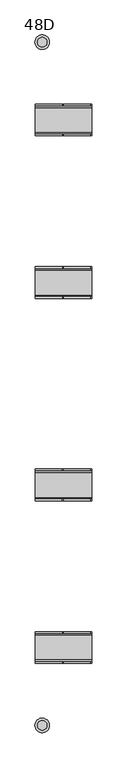
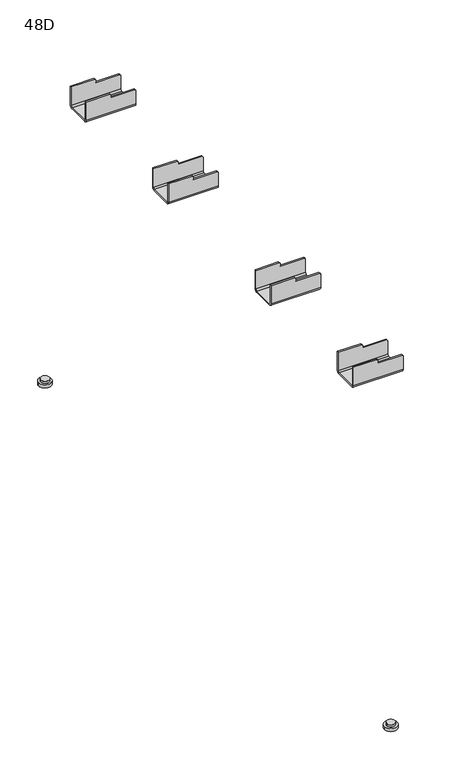
"""IFC4 building model written with IfcOpenShell, lengths in millimetres: furniture geometry, 48D."""

from ifc_helpers import new_model, si_unit, point, frame, frame_2d, origin, origin_with_axes, place, context, project, spatial, polyline, circle_curve, trimmed, segment, composite_curve, outline, extrude, source, transform, mapped, element, save
from ifc_brep_helpers import plane_surface, cylinder_surface, revolved_surface, advanced_brep


def furniture_48d_eb35c15c(model_context):
    return source(origin(), model_context, "Body", "SolidModel", [
        advanced_brep(
        [(76.0, -431.9918, 652.15), (76.0, -434.9918, 649.15), (76.0, -477.9918, 649.15), (76.0, -480.9918, 652.15), (76.0, -480.9918, 680.3118807), (76.0, -483.9918, 680.3118807), (76.0, -483.9918, 652.15), (76.0, -477.9918, 646.15), (76.0, -434.9918, 646.15), (76.0, -428.9918, 652.15), (76.0, -428.9918, 680.3118807), (76.0, -431.9918, 680.3118807), (-21.8908117, -431.9918, 690.15), (-21.8908117, -428.9918, 690.15), (-21.8908117, -428.9918, 652.15), (-21.8908117, -434.9918, 646.15), (-21.8908117, -477.9918, 646.15), (-21.8908117, -483.9918, 652.15), (-21.8908117, -483.9918, 690.15), (-21.8908117, -480.9918, 690.15), (-21.8908117, -480.9918, 652.15), (-21.8908117, -477.9918, 649.15), (-21.8908117, -434.9918, 649.15), (-21.8908117, -431.9918, 652.15), (24.4118807, -431.9918, 690.15), (24.4118807, -428.9918, 690.15), (26.5, -428.9918, 688.0618807), (26.5, -428.9918, 682.3118807), (74.0, -428.9918, 682.3118807), (74.0, -483.9918, 682.3118807), (26.5, -483.9918, 682.3118807), (26.5, -483.9918, 688.0618807), (24.4118807, -483.9918, 690.15), (24.4118807, -480.9918, 690.15), (26.5, -480.9918, 688.0618807), (26.5, -480.9918, 682.3118807), (74.0, -480.9918, 682.3118807), (74.0, -431.9918, 682.3118807), (26.5, -431.9918, 682.3118807), (26.5, -431.9918, 688.0618807)],
        [
            (0, 1, circle_curve(frame((76.0, -434.9918, 652.15), z_axis=(-1.0, 0.0, 0.0), x_axis=(0.0, -1.0, 0.0)), 3.0)),
            (1, 2),
            (2, 3, circle_curve(frame((76.0, -477.9918, 652.15), z_axis=(-1.0, 0.0, 0.0), x_axis=(0.0, -1.0, 0.0)), 3.0)),
            (3, 4),
            (4, 5),
            (5, 6),
            (6, 7, circle_curve(frame((76.0, -477.9918, 652.15), z_axis=(1.0, 0.0, 0.0), x_axis=(0.0, -1.0, 0.0)), 6.0)),
            (7, 8),
            (8, 9, circle_curve(frame((76.0, -434.9918, 652.15), z_axis=(1.0, 0.0, 0.0), x_axis=(0.0, -1.0, 0.0)), 6.0)),
            (9, 10),
            (10, 11),
            (11, 0),
            (12, 13),
            (13, 14),
            (14, 15, circle_curve(frame((-21.8908117, -434.9918, 652.15), z_axis=(-1.0, 0.0, 0.0), x_axis=(0.0, -1.0, 0.0)), 6.0)),
            (15, 16),
            (16, 17, circle_curve(frame((-21.8908117, -477.9918, 652.15), z_axis=(-1.0, 0.0, 0.0), x_axis=(0.0, -1.0, 0.0)), 6.0)),
            (17, 18),
            (18, 19),
            (19, 20),
            (20, 21, circle_curve(frame((-21.8908117, -477.9918, 652.15), z_axis=(1.0, 0.0, 0.0), x_axis=(0.0, -1.0, 0.0)), 3.0)),
            (21, 22),
            (22, 23, circle_curve(frame((-21.8908117, -434.9918, 652.15), z_axis=(1.0, 0.0, 0.0), x_axis=(0.0, -1.0, 0.0)), 3.0)),
            (23, 12),
            (12, 24),
            (24, 25),
            (25, 13),
            (25, 26),
            (26, 27),
            (27, 28),
            (28, 10),
            (9, 14),
            (8, 15),
            (7, 16),
            (6, 17),
            (5, 29),
            (29, 30),
            (30, 31),
            (31, 32),
            (32, 18),
            (32, 33),
            (33, 19),
            (33, 34),
            (34, 35),
            (35, 36),
            (36, 4),
            (3, 20),
            (2, 21),
            (1, 22),
            (0, 23),
            (11, 37),
            (37, 38),
            (38, 39),
            (39, 24),
            (36, 29),
            (28, 37),
            (31, 34),
            (39, 26),
            (30, 35),
            (38, 27),
        ],
        [
            plane_surface(frame((76.0, -431.9918, 690.15), z_axis=(1.0, 0.0, 0.0), x_axis=(0.0, 0.0, -1.0))),
            plane_surface(frame((-21.8908117, -431.9918, 690.15), z_axis=(-1.0, 0.0, 0.0), x_axis=(0.0, 0.0, 1.0))),
            plane_surface(frame((76.0, -428.9918, 690.15), z_axis=(0.0, 0.0, 1.0), x_axis=(-1.0, 0.0, 0.0))),
            plane_surface(frame((76.0, -428.9918, 652.15), z_axis=(0.0, 1.0, 0.0), x_axis=(-1.0, 0.0, 0.0))),
            cylinder_surface(frame((-21.8908117, -434.9918, 652.15), z_axis=(1.0, 0.0, 0.0), x_axis=(0.0, -1.0, 0.0)), 6.0),
            plane_surface(frame((76.0, -477.9918, 646.15), z_axis=(0.0, 0.0, -1.0), x_axis=(-1.0, 0.0, 0.0))),
            cylinder_surface(frame((-21.8908117, -477.9918, 652.15), z_axis=(1.0, 0.0, 0.0), x_axis=(0.0, -1.0, 0.0)), 6.0),
            plane_surface(frame((76.0, -483.9918, 690.15), z_axis=(0.0, -1.0, 0.0), x_axis=(-1.0, 0.0, 0.0))),
            plane_surface(frame((76.0, -480.9918, 690.15), z_axis=(0.0, 0.0, 1.0), x_axis=(-1.0, 0.0, 0.0))),
            plane_surface(frame((76.0, -480.9918, 652.15), z_axis=(0.0, 1.0, 0.0), x_axis=(-1.0, 0.0, 0.0))),
            revolved_surface(polyline([(-21.8908117, -480.9918, 652.15), (76.0, -480.9918, 652.15)]), (-21.8908117, -477.9918, 652.15), (-1.0, 0.0, 0.0)),
            plane_surface(frame((76.0, -434.9918, 649.15), z_axis=(0.0, 0.0, 1.0), x_axis=(-1.0, 0.0, 0.0))),
            revolved_surface(polyline([(-21.8908117, -437.9918, 652.15), (76.0, -437.9918, 652.15)]), (-21.8908117, -434.9918, 652.15), (-1.0, 0.0, 0.0)),
            plane_surface(frame((76.0, -431.9918, 690.15), z_axis=(0.0, -1.0, 0.0), x_axis=(-1.0, 0.0, 0.0))),
            plane_surface(frame((76.0, 484.2418, 680.3118807), z_axis=(0.7071067811865596, 0.0, 0.7071067811865356), x_axis=(0.0, -1.0, 0.0))),
            plane_surface(frame((26.5, 484.2418, 688.0618807), z_axis=(0.7071067811865476, 0.0, 0.7071067811865476), x_axis=(0.0, -1.0, 0.0))),
            plane_surface(frame((26.5, 484.2418, 682.3118807), z_axis=(1.0, 0.0, 0.0), x_axis=(0.0, -1.0, 0.0))),
            plane_surface(frame((74.0, 484.2418, 682.3118807), z_axis=(0.0, 0.0, 1.0), x_axis=(0.0, -1.0, 0.0))),
        ],
        [
            (0, [[1, 2, 3, 4, 5, 6, 7, 8, 9, 10, 11, 12]]),
            (1, [[13, 14, 15, 16, 17, 18, 19, 20, 21, 22, 23, 24]]),
            (2, [[-13, 25, 26, 27]]),
            (3, [[-14, -27, 28, 29, 30, 31, -10, 32]]),
            (4, [[-9, 33, -15, -32]]),
            (5, [[-8, 34, -16, -33]]),
            (6, [[-7, 35, -17, -34]]),
            (7, [[-18, -35, -6, 36, 37, 38, 39, 40]]),
            (8, [[-19, -40, 41, 42]]),
            (9, [[-20, -42, 43, 44, 45, 46, -4, 47]]),
            (10, [[-3, 48, -21, -47]]),
            (11, [[-2, 49, -22, -48]]),
            (12, [[-1, 50, -23, -49]]),
            (13, [[-24, -50, -12, 51, 52, 53, 54, -25]]),
            (14, [[55, -36, -5, -46]]),
            (14, [[56, -51, -11, -31]]),
            (15, [[57, -43, -41, -39]]),
            (15, [[58, -28, -26, -54]]),
            (16, [[-57, -38, 59, -44]]),
            (16, [[-58, -53, 60, -29]]),
            (17, [[-59, -37, -55, -45]]),
            (17, [[-60, -52, -56, -30]]),
        ],
    ),
        advanced_brep(
        [(74.0, -147.5, 682.3118807), (74.0, -150.5, 682.3118807), (76.0, -150.5, 680.3118807), (76.0, -147.5, 680.3118807), (74.0, -199.5, 682.3118807), (74.0, -202.5, 682.3118807), (76.0, -202.5, 680.3118807), (76.0, -199.5, 680.3118807), (26.5, -150.5, 688.0618807), (26.5, -147.5, 688.0618807), (24.4118807, -147.5, 690.15), (24.4118807, -150.5, 690.15), (26.5, -202.5, 688.0618807), (26.5, -199.5, 688.0618807), (24.4118807, -199.5, 690.15), (24.4118807, -202.5, 690.15), (26.5, -150.5, 682.3118807), (26.5, -147.5, 682.3118807), (26.5, -202.5, 682.3118807), (26.5, -199.5, 682.3118807), (76.0, -202.5, 652.15), (76.0, -196.5, 646.15), (76.0, -153.5, 646.15), (76.0, -147.5, 652.15), (76.0, -150.5, 652.15), (76.0, -153.5, 649.15), (76.0, -196.5, 649.15), (76.0, -199.5, 652.15), (-21.8908117, -199.5, 690.15), (-21.8908117, -199.5, 652.15), (-21.8908117, -196.5, 649.15), (-21.8908117, -153.5, 649.15), (-21.8908117, -150.5, 652.15), (-21.8908117, -150.5, 690.15), (-21.8908117, -147.5, 690.15), (-21.8908117, -147.5, 652.15), (-21.8908117, -153.5, 646.15), (-21.8908117, -196.5, 646.15), (-21.8908117, -202.5, 652.15), (-21.8908117, -202.5, 690.15)],
        [
            (0, 1),
            (1, 2),
            (2, 3),
            (3, 0),
            (4, 5),
            (5, 6),
            (6, 7),
            (7, 4),
            (8, 9),
            (9, 10),
            (10, 11),
            (11, 8),
            (12, 13),
            (13, 14),
            (14, 15),
            (15, 12),
            (8, 16),
            (16, 17),
            (17, 9),
            (12, 18),
            (18, 19),
            (19, 13),
            (16, 1),
            (0, 17),
            (18, 5),
            (4, 19),
            (20, 21, circle_curve(frame((76.0, -196.5, 652.15), z_axis=(1.0, 0.0, 0.0), x_axis=(0.0, 1.0, 0.0)), 6.0)),
            (21, 22),
            (22, 23, circle_curve(frame((76.0, -153.5, 652.15), z_axis=(1.0, 0.0, 0.0), x_axis=(0.0, 1.0, 0.0)), 6.0)),
            (23, 3),
            (2, 24),
            (24, 25, circle_curve(frame((76.0, -153.5, 652.15), z_axis=(-1.0, 0.0, 0.0), x_axis=(0.0, 1.0, 0.0)), 3.0)),
            (25, 26),
            (26, 27, circle_curve(frame((76.0, -196.5, 652.15), z_axis=(-1.0, 0.0, 0.0), x_axis=(0.0, 1.0, 0.0)), 3.0)),
            (27, 7),
            (6, 20),
            (28, 29),
            (29, 30, circle_curve(frame((-21.8908117, -196.5, 652.15), z_axis=(1.0, 0.0, 0.0), x_axis=(0.0, 1.0, 0.0)), 3.0)),
            (30, 31),
            (31, 32, circle_curve(frame((-21.8908117, -153.5, 652.15), z_axis=(1.0, 0.0, 0.0), x_axis=(0.0, 1.0, 0.0)), 3.0)),
            (32, 33),
            (33, 34),
            (34, 35),
            (35, 36, circle_curve(frame((-21.8908117, -153.5, 652.15), z_axis=(-1.0, 0.0, 0.0), x_axis=(0.0, 1.0, 0.0)), 6.0)),
            (36, 37),
            (37, 38, circle_curve(frame((-21.8908117, -196.5, 652.15), z_axis=(-1.0, 0.0, 0.0), x_axis=(0.0, 1.0, 0.0)), 6.0)),
            (38, 39),
            (39, 28),
            (39, 15),
            (14, 28),
            (38, 20),
            (37, 21),
            (36, 22),
            (35, 23),
            (34, 10),
            (33, 11),
            (32, 24),
            (31, 25),
            (30, 26),
            (29, 27),
        ],
        [
            plane_surface(frame((76.0, 484.2418, 680.3118807), z_axis=(0.7071067811865596, 0.0, 0.7071067811865356), x_axis=(0.0, -1.0, 0.0))),
            plane_surface(frame((26.5, 484.2418, 688.0618807), z_axis=(0.7071067811865476, 0.0, 0.7071067811865476), x_axis=(0.0, -1.0, 0.0))),
            plane_surface(frame((26.5, 484.2418, 682.3118807), z_axis=(1.0, 0.0, 0.0), x_axis=(0.0, -1.0, 0.0))),
            plane_surface(frame((74.0, 484.2418, 682.3118807), z_axis=(0.0, 0.0, 1.0), x_axis=(0.0, -1.0, 0.0))),
            plane_surface(frame((76.0, -202.5, 690.15), z_axis=(1.0, 0.0, 0.0), x_axis=(0.0, -1.0, 0.0))),
            plane_surface(frame((-21.8908117, -202.5, 690.15), z_axis=(-1.0, 0.0, 0.0), x_axis=(0.0, 1.0, 0.0))),
            plane_surface(frame((76.0, -199.5, 690.15), z_axis=(0.0, 0.0, 1.0), x_axis=(-1.0, 0.0, 0.0))),
            plane_surface(frame((76.0, -202.5, 690.15), z_axis=(0.0, -1.0, 0.0), x_axis=(-1.0, 0.0, 0.0))),
            cylinder_surface(frame((-21.8908117, -196.5, 652.15), z_axis=(1.0, 0.0, 0.0), x_axis=(0.0, 1.0, 0.0)), 6.0),
            plane_surface(frame((76.0, -196.5, 646.15), z_axis=(0.0, 0.0, -1.0), x_axis=(-1.0, 0.0, 0.0))),
            cylinder_surface(frame((-21.8908117, -153.5, 652.15), z_axis=(1.0, 0.0, 0.0), x_axis=(0.0, 1.0, 0.0)), 6.0),
            plane_surface(frame((76.0, -147.5, 652.15), z_axis=(0.0, 1.0, 0.0), x_axis=(-1.0, 0.0, 0.0))),
            plane_surface(frame((76.0, -147.5, 690.15), z_axis=(0.0, 0.0, 1.0), x_axis=(-1.0, 0.0, 0.0))),
            plane_surface(frame((76.0, -150.5, 690.15), z_axis=(0.0, -1.0, 0.0), x_axis=(-1.0, 0.0, 0.0))),
            revolved_surface(polyline([(-21.8908117, -150.5, 652.15), (76.0, -150.5, 652.15)]), (-21.8908117, -153.5, 652.15), (-1.0, 0.0, 0.0)),
            plane_surface(frame((76.0, -153.5, 649.15), z_axis=(0.0, 0.0, 1.0), x_axis=(-1.0, 0.0, 0.0))),
            revolved_surface(polyline([(-21.8908117, -193.5, 652.15), (76.0, -193.5, 652.15)]), (-21.8908117, -196.5, 652.15), (-1.0, 0.0, 0.0)),
            plane_surface(frame((76.0, -199.5, 652.15), z_axis=(0.0, 1.0, 0.0), x_axis=(-1.0, 0.0, 0.0))),
        ],
        [
            (0, [[1, 2, 3, 4]]),
            (0, [[5, 6, 7, 8]]),
            (1, [[9, 10, 11, 12]]),
            (1, [[13, 14, 15, 16]]),
            (2, [[-9, 17, 18, 19]]),
            (2, [[-13, 20, 21, 22]]),
            (3, [[-18, 23, -1, 24]]),
            (3, [[-21, 25, -5, 26]]),
            (4, [[27, 28, 29, 30, -3, 31, 32, 33, 34, 35, -7, 36]]),
            (5, [[37, 38, 39, 40, 41, 42, 43, 44, 45, 46, 47, 48]]),
            (6, [[-48, 49, -15, 50]]),
            (7, [[-47, 51, -36, -6, -25, -20, -16, -49]]),
            (8, [[-27, -51, -46, 52]]),
            (9, [[-28, -52, -45, 53]]),
            (10, [[-29, -53, -44, 54]]),
            (11, [[-43, 55, -10, -19, -24, -4, -30, -54]]),
            (12, [[-42, 56, -11, -55]]),
            (13, [[-41, 57, -31, -2, -23, -17, -12, -56]]),
            (14, [[-32, -57, -40, 58]]),
            (15, [[-33, -58, -39, 59]]),
            (16, [[-34, -59, -38, 60]]),
            (17, [[-37, -50, -14, -22, -26, -8, -35, -60]]),
        ],
    ),
        advanced_brep(
        [(76.0, 147.5, 652.0618807), (76.0, 153.5, 646.0618807), (76.0, 196.5, 646.0618807), (76.0, 202.5, 652.0618807), (76.0, 202.5, 680.3118807), (76.0, 199.5, 680.3118807), (76.0, 199.5, 652.0618807), (76.0, 196.5, 649.0618807), (76.0, 153.5, 649.0618807), (76.0, 150.5, 652.0618807), (76.0, 150.5, 680.3118807), (76.0, 147.5, 680.3118807), (-21.8908117, 150.5, 690.0618807), (-21.8908117, 150.5, 652.0618807), (-21.8908117, 153.5, 649.0618807), (-21.8908117, 196.5, 649.0618807), (-21.8908117, 199.5, 652.0618807), (-21.8908117, 199.5, 690.0618807), (-21.8908117, 202.5, 690.0618807), (-21.8908117, 202.5, 652.0618807), (-21.8908117, 196.5, 646.0618807), (-21.8908117, 153.5, 646.0618807), (-21.8908117, 147.5, 652.0618807), (-21.8908117, 147.5, 690.0618807), (24.5, 147.5, 690.0618807), (24.5, 150.5, 690.0618807), (74.0, 147.5, 682.3118807), (26.5, 147.5, 682.3118807), (26.5, 147.5, 688.0618807), (24.5, 202.5, 690.0618807), (26.5, 202.5, 688.0618807), (26.5, 202.5, 682.3118807), (74.0, 202.5, 682.3118807), (24.5, 199.5, 690.0618807), (74.0, 199.5, 682.3118807), (26.5, 199.5, 682.3118807), (26.5, 199.5, 688.0618807), (26.5, 150.5, 688.0618807), (26.5, 150.5, 682.3118807), (74.0, 150.5, 682.3118807)],
        [
            (0, 1, circle_curve(frame((76.0, 153.5, 652.0618807), z_axis=(1.0, 0.0, 0.0), x_axis=(0.0, 1.0, 0.0)), 6.0)),
            (1, 2),
            (2, 3, circle_curve(frame((76.0, 196.5, 652.0618807), z_axis=(1.0, 0.0, 0.0), x_axis=(0.0, 1.0, 0.0)), 6.0)),
            (3, 4),
            (4, 5),
            (5, 6),
            (6, 7, circle_curve(frame((76.0, 196.5, 652.0618807), z_axis=(-1.0, 0.0, 0.0), x_axis=(0.0, 1.0, 0.0)), 3.0)),
            (7, 8),
            (8, 9, circle_curve(frame((76.0, 153.5, 652.0618807), z_axis=(-1.0, 0.0, 0.0), x_axis=(0.0, 1.0, 0.0)), 3.0)),
            (9, 10),
            (10, 11),
            (11, 0),
            (12, 13),
            (13, 14, circle_curve(frame((-21.8908117, 153.5, 652.0618807), z_axis=(1.0, 0.0, 0.0), x_axis=(0.0, 1.0, 0.0)), 3.0)),
            (14, 15),
            (15, 16, circle_curve(frame((-21.8908117, 196.5, 652.0618807), z_axis=(1.0, 0.0, 0.0), x_axis=(0.0, 1.0, 0.0)), 3.0)),
            (16, 17),
            (17, 18),
            (18, 19),
            (19, 20, circle_curve(frame((-21.8908117, 196.5, 652.0618807), z_axis=(-1.0, 0.0, 0.0), x_axis=(0.0, 1.0, 0.0)), 6.0)),
            (20, 21),
            (21, 22, circle_curve(frame((-21.8908117, 153.5, 652.0618807), z_axis=(-1.0, 0.0, 0.0), x_axis=(0.0, 1.0, 0.0)), 6.0)),
            (22, 23),
            (23, 12),
            (23, 24),
            (24, 25),
            (25, 12),
            (22, 0),
            (11, 26),
            (26, 27),
            (27, 28),
            (28, 24),
            (21, 1),
            (20, 2),
            (19, 3),
            (18, 29),
            (29, 30),
            (30, 31),
            (31, 32),
            (32, 4),
            (17, 33),
            (33, 29),
            (16, 6),
            (5, 34),
            (34, 35),
            (35, 36),
            (36, 33),
            (15, 7),
            (14, 8),
            (13, 9),
            (25, 37),
            (37, 38),
            (38, 39),
            (39, 10),
            (32, 34),
            (39, 26),
            (36, 30),
            (28, 37),
            (35, 31),
            (27, 38),
        ],
        [
            plane_surface(frame((76.0, 147.5, 690.0618807), z_axis=(1.0, 0.0, 0.0), x_axis=(0.0, -1.0, 0.0))),
            plane_surface(frame((-21.8908117, 147.5, 690.0618807), z_axis=(-1.0, 0.0, 0.0), x_axis=(0.0, 1.0, 0.0))),
            plane_surface(frame((76.0, 150.5, 690.0618807), z_axis=(0.0, 0.0, 1.0), x_axis=(-1.0, 0.0, 0.0))),
            plane_surface(frame((76.0, 147.5, 690.0618807), z_axis=(0.0, -1.0, 0.0), x_axis=(-1.0, 0.0, 0.0))),
            cylinder_surface(frame((-21.8908117, 153.5, 652.0618807), z_axis=(1.0, 0.0, 0.0), x_axis=(0.0, 1.0, 0.0)), 6.0),
            plane_surface(frame((76.0, 153.5, 646.0618807), z_axis=(0.0, 0.0, -1.0), x_axis=(-1.0, 0.0, 0.0))),
            cylinder_surface(frame((-21.8908117, 196.5, 652.0618807), z_axis=(1.0, 0.0, 0.0), x_axis=(0.0, 1.0, 0.0)), 6.0),
            plane_surface(frame((76.0, 202.5, 652.0618807), z_axis=(0.0, 1.0, 0.0), x_axis=(-1.0, 0.0, 0.0))),
            plane_surface(frame((76.0, 202.5, 690.0618807), z_axis=(0.0, 0.0, 1.0), x_axis=(-1.0, 0.0, 0.0))),
            plane_surface(frame((76.0, 199.5, 690.0618807), z_axis=(0.0, -1.0, 0.0), x_axis=(-1.0, 0.0, 0.0))),
            revolved_surface(polyline([(-21.8908117, 199.5, 652.0618807), (76.0, 199.5, 652.0618807)]), (-21.8908117, 196.5, 652.0618807), (-1.0, 0.0, 0.0)),
            plane_surface(frame((76.0, 196.5, 649.0618807), z_axis=(0.0, 0.0, 1.0), x_axis=(-1.0, 0.0, 0.0))),
            revolved_surface(polyline([(-21.8908117, 156.5, 652.0618807), (76.0, 156.5, 652.0618807)]), (-21.8908117, 153.5, 652.0618807), (-1.0, 0.0, 0.0)),
            plane_surface(frame((76.0, 150.5, 652.0618807), z_axis=(0.0, 1.0, 0.0), x_axis=(-1.0, 0.0, 0.0))),
            plane_surface(frame((76.0, 484.2418, 680.3118807), z_axis=(0.7071067811865596, 0.0, 0.7071067811865356), x_axis=(0.0, -1.0, 0.0))),
            plane_surface(frame((26.5, 484.2418, 688.0618807), z_axis=(0.7071067811865476, 0.0, 0.7071067811865476), x_axis=(0.0, -1.0, 0.0))),
            plane_surface(frame((26.5, 484.2418, 682.3118807), z_axis=(1.0, 0.0, 0.0), x_axis=(0.0, -1.0, 0.0))),
            plane_surface(frame((74.0, 484.2418, 682.3118807), z_axis=(0.0, 0.0, 1.0), x_axis=(0.0, -1.0, 0.0))),
        ],
        [
            (0, [[1, 2, 3, 4, 5, 6, 7, 8, 9, 10, 11, 12]]),
            (1, [[13, 14, 15, 16, 17, 18, 19, 20, 21, 22, 23, 24]]),
            (2, [[-24, 25, 26, 27]]),
            (3, [[-23, 28, -12, 29, 30, 31, 32, -25]]),
            (4, [[-1, -28, -22, 33]]),
            (5, [[-2, -33, -21, 34]]),
            (6, [[-3, -34, -20, 35]]),
            (7, [[-19, 36, 37, 38, 39, 40, -4, -35]]),
            (8, [[-18, 41, 42, -36]]),
            (9, [[-17, 43, -6, 44, 45, 46, 47, -41]]),
            (10, [[-7, -43, -16, 48]]),
            (11, [[-8, -48, -15, 49]]),
            (12, [[-9, -49, -14, 50]]),
            (13, [[-13, -27, 51, 52, 53, 54, -10, -50]]),
            (14, [[55, -44, -5, -40]]),
            (14, [[56, -29, -11, -54]]),
            (15, [[57, -37, -42, -47]]),
            (15, [[58, -51, -26, -32]]),
            (16, [[-57, -46, 59, -38]]),
            (16, [[-58, -31, 60, -52]]),
            (17, [[-59, -45, -55, -39]]),
            (17, [[-60, -30, -56, -53]]),
        ],
    ),
        extrude(outline(composite_curve([segment(trimmed(circle_curve(frame_2d((-10.0134902, -591.1227961)), 8.2529367), [point((-18.2664269, -591.1227961))], [point((-1.7605535, -591.1227961))], False, "CARTESIAN"), True, "CONTINUOUS"), segment(trimmed(circle_curve(frame_2d((-10.0134902, -591.1227961)), 8.2529367), [point((-1.7605535, -591.1227961))], [point((-18.2664269, -591.1227961))], False, "CARTESIAN"), True, "CONTINUOUS")], self_intersect=False)), frame((0.0, 0.0, 6.5), z_axis=(0.0, 0.0, 1.0), x_axis=(1.0, 0.0, 0.0)), (0.0, 0.0, 1.0), 4.5),
        extrude(outline(composite_curve([segment(trimmed(circle_curve(frame_2d((-10.0157414, -591.1227961)), 12.5869389), [point((-22.6026802, -591.1227961))], [point((2.5711975, -591.1227961))], False, "CARTESIAN"), True, "CONTINUOUS"), segment(trimmed(circle_curve(frame_2d((-10.0157414, -591.1227961)), 12.5869389), [point((2.5711975, -591.1227961))], [point((-22.6026802, -591.1227961))], False, "CARTESIAN"), True, "CONTINUOUS")], self_intersect=False)), origin_with_axes(), (0.0, 0.0, 1.0), 6.5),
        extrude(outline(composite_curve([segment(trimmed(circle_curve(frame_2d((-10.0134902, 591.1227961)), 8.2529367), [point((-18.2664269, 591.1227961))], [point((-1.7605535, 591.1227961))], False, "CARTESIAN"), True, "CONTINUOUS"), segment(trimmed(circle_curve(frame_2d((-10.0134902, 591.1227961)), 8.2529367), [point((-1.7605535, 591.1227961))], [point((-18.2664269, 591.1227961))], False, "CARTESIAN"), True, "CONTINUOUS")], self_intersect=False)), frame((0.0, 0.0, 6.5), z_axis=(0.0, 0.0, 1.0), x_axis=(1.0, 0.0, 0.0)), (0.0, 0.0, 1.0), 4.5),
        extrude(outline(composite_curve([segment(trimmed(circle_curve(frame_2d((-10.0157414, 591.1227961)), 12.5869389), [point((-22.6026802, 591.1227961))], [point((2.5711975, 591.1227961))], False, "CARTESIAN"), True, "CONTINUOUS"), segment(trimmed(circle_curve(frame_2d((-10.0157414, 591.1227961)), 12.5869389), [point((2.5711975, 591.1227961))], [point((-22.6026802, 591.1227961))], False, "CARTESIAN"), True, "CONTINUOUS")], self_intersect=False)), origin_with_axes(), (0.0, 0.0, 1.0), 6.5),
        advanced_brep(
        [(76.0, 428.9918, 652.15), (76.0, 434.9918, 646.15), (76.0, 477.9918, 646.15), (76.0, 483.9918, 652.15), (76.0, 483.9918, 680.3118807), (76.0, 480.9918, 680.3118807), (76.0, 480.9918, 652.15), (76.0, 477.9918, 649.15), (76.0, 434.9918, 649.15), (76.0, 431.9918, 652.15), (76.0, 431.9918, 680.3118807), (76.0, 428.9918, 680.3118807), (-21.8908117, 431.9918, 690.15), (-21.8908117, 431.9918, 652.15), (-21.8908117, 434.9918, 649.15), (-21.8908117, 477.9918, 649.15), (-21.8908117, 480.9918, 652.15), (-21.8908117, 480.9918, 690.15), (-21.8908117, 483.9918, 690.15), (-21.8908117, 483.9918, 652.15), (-21.8908117, 477.9918, 646.15), (-21.8908117, 434.9918, 646.15), (-21.8908117, 428.9918, 652.15), (-21.8908117, 428.9918, 690.15), (24.4118807, 428.9918, 690.15), (24.4118807, 431.9918, 690.15), (74.0, 428.9918, 682.3118807), (26.5, 428.9918, 682.3118807), (26.5, 428.9918, 688.0618807), (24.4118807, 483.9918, 690.15), (26.5, 483.9918, 688.0618807), (26.5, 483.9918, 682.3118807), (74.0, 483.9918, 682.3118807), (24.4118807, 480.9918, 690.15), (74.0, 480.9918, 682.3118807), (26.5, 480.9918, 682.3118807), (26.5, 480.9918, 688.0618807), (26.5, 431.9918, 688.0618807), (26.5, 431.9918, 682.3118807), (74.0, 431.9918, 682.3118807)],
        [
            (0, 1, circle_curve(frame((76.0, 434.9918, 652.15), z_axis=(1.0, 0.0, 0.0), x_axis=(0.0, 1.0, 0.0)), 6.0)),
            (1, 2),
            (2, 3, circle_curve(frame((76.0, 477.9918, 652.15), z_axis=(1.0, 0.0, 0.0), x_axis=(0.0, 1.0, 0.0)), 6.0)),
            (3, 4),
            (4, 5),
            (5, 6),
            (6, 7, circle_curve(frame((76.0, 477.9918, 652.15), z_axis=(-1.0, 0.0, 0.0), x_axis=(0.0, 1.0, 0.0)), 3.0)),
            (7, 8),
            (8, 9, circle_curve(frame((76.0, 434.9918, 652.15), z_axis=(-1.0, 0.0, 0.0), x_axis=(0.0, 1.0, 0.0)), 3.0)),
            (9, 10),
            (10, 11),
            (11, 0),
            (12, 13),
            (13, 14, circle_curve(frame((-21.8908117, 434.9918, 652.15), z_axis=(1.0, 0.0, 0.0), x_axis=(0.0, 1.0, 0.0)), 3.0)),
            (14, 15),
            (15, 16, circle_curve(frame((-21.8908117, 477.9918, 652.15), z_axis=(1.0, 0.0, 0.0), x_axis=(0.0, 1.0, 0.0)), 3.0)),
            (16, 17),
            (17, 18),
            (18, 19),
            (19, 20, circle_curve(frame((-21.8908117, 477.9918, 652.15), z_axis=(-1.0, 0.0, 0.0), x_axis=(0.0, 1.0, 0.0)), 6.0)),
            (20, 21),
            (21, 22, circle_curve(frame((-21.8908117, 434.9918, 652.15), z_axis=(-1.0, 0.0, 0.0), x_axis=(0.0, 1.0, 0.0)), 6.0)),
            (22, 23),
            (23, 12),
            (23, 24),
            (24, 25),
            (25, 12),
            (22, 0),
            (11, 26),
            (26, 27),
            (27, 28),
            (28, 24),
            (21, 1),
            (20, 2),
            (19, 3),
            (18, 29),
            (29, 30),
            (30, 31),
            (31, 32),
            (32, 4),
            (17, 33),
            (33, 29),
            (16, 6),
            (5, 34),
            (34, 35),
            (35, 36),
            (36, 33),
            (15, 7),
            (14, 8),
            (13, 9),
            (25, 37),
            (37, 38),
            (38, 39),
            (39, 10),
            (32, 34),
            (39, 26),
            (36, 30),
            (28, 37),
            (35, 31),
            (27, 38),
        ],
        [
            plane_surface(frame((76.0, 428.9918, 690.15), z_axis=(1.0, 0.0, 0.0), x_axis=(0.0, -1.0, 0.0))),
            plane_surface(frame((-21.8908117, 428.9918, 690.15), z_axis=(-1.0, 0.0, 0.0), x_axis=(0.0, 1.0, 0.0))),
            plane_surface(frame((76.0, 431.9918, 690.15), z_axis=(0.0, 0.0, 1.0), x_axis=(-1.0, 0.0, 0.0))),
            plane_surface(frame((76.0, 428.9918, 690.15), z_axis=(0.0, -1.0, 0.0), x_axis=(-1.0, 0.0, 0.0))),
            cylinder_surface(frame((-21.8908117, 434.9918, 652.15), z_axis=(1.0, 0.0, 0.0), x_axis=(0.0, 1.0, 0.0)), 6.0),
            plane_surface(frame((76.0, 434.9918, 646.15), z_axis=(0.0, 0.0, -1.0), x_axis=(-1.0, 0.0, 0.0))),
            cylinder_surface(frame((-21.8908117, 477.9918, 652.15), z_axis=(1.0, 0.0, 0.0), x_axis=(0.0, 1.0, 0.0)), 6.0),
            plane_surface(frame((76.0, 483.9918, 652.15), z_axis=(0.0, 1.0, 0.0), x_axis=(-1.0, 0.0, 0.0))),
            plane_surface(frame((76.0, 483.9918, 690.15), z_axis=(0.0, 0.0, 1.0), x_axis=(-1.0, 0.0, 0.0))),
            plane_surface(frame((76.0, 480.9918, 690.15), z_axis=(0.0, -1.0, 0.0), x_axis=(-1.0, 0.0, 0.0))),
            revolved_surface(polyline([(-21.8908117, 480.9918, 652.15), (76.0, 480.9918, 652.15)]), (-21.8908117, 477.9918, 652.15), (-1.0, 0.0, 0.0)),
            plane_surface(frame((76.0, 477.9918, 649.15), z_axis=(0.0, 0.0, 1.0), x_axis=(-1.0, 0.0, 0.0))),
            revolved_surface(polyline([(-21.8908117, 437.9918, 652.15), (76.0, 437.9918, 652.15)]), (-21.8908117, 434.9918, 652.15), (-1.0, 0.0, 0.0)),
            plane_surface(frame((76.0, 431.9918, 652.15), z_axis=(0.0, 1.0, 0.0), x_axis=(-1.0, 0.0, 0.0))),
            plane_surface(frame((76.0, 484.2418, 680.3118807), z_axis=(0.7071067811865596, 0.0, 0.7071067811865356), x_axis=(0.0, -1.0, 0.0))),
            plane_surface(frame((26.5, 484.2418, 688.0618807), z_axis=(0.7071067811865476, 0.0, 0.7071067811865476), x_axis=(0.0, -1.0, 0.0))),
            plane_surface(frame((26.5, 484.2418, 682.3118807), z_axis=(1.0, 0.0, 0.0), x_axis=(0.0, -1.0, 0.0))),
            plane_surface(frame((74.0, 484.2418, 682.3118807), z_axis=(0.0, 0.0, 1.0), x_axis=(0.0, -1.0, 0.0))),
        ],
        [
            (0, [[1, 2, 3, 4, 5, 6, 7, 8, 9, 10, 11, 12]]),
            (1, [[13, 14, 15, 16, 17, 18, 19, 20, 21, 22, 23, 24]]),
            (2, [[-24, 25, 26, 27]]),
            (3, [[-23, 28, -12, 29, 30, 31, 32, -25]]),
            (4, [[-1, -28, -22, 33]]),
            (5, [[-2, -33, -21, 34]]),
            (6, [[-3, -34, -20, 35]]),
            (7, [[-19, 36, 37, 38, 39, 40, -4, -35]]),
            (8, [[-18, 41, 42, -36]]),
            (9, [[-17, 43, -6, 44, 45, 46, 47, -41]]),
            (10, [[-7, -43, -16, 48]]),
            (11, [[-8, -48, -15, 49]]),
            (12, [[-9, -49, -14, 50]]),
            (13, [[-13, -27, 51, 52, 53, 54, -10, -50]]),
            (14, [[55, -44, -5, -40]]),
            (14, [[56, -29, -11, -54]]),
            (15, [[57, -37, -42, -47]]),
            (15, [[58, -51, -26, -32]]),
            (16, [[-57, -46, 59, -38]]),
            (16, [[-58, -31, 60, -52]]),
            (17, [[-59, -45, -55, -39]]),
            (17, [[-60, -30, -56, -53]]),
        ],
    ),
    ])


if __name__ == "__main__":
    model = new_model("IFC4")
    model_context = context("Model", 3, world=origin())
    ifc_project = project(units=[si_unit("LENGTHUNIT", "METRE", prefix="MILLI")], contexts=[model_context])
    site = spatial("IfcSite", under=ifc_project)
    building = spatial("IfcBuilding", under=site)
    placement = place(None, origin())
    furniture_48d_shape = furniture_48d_eb35c15c(model_context)
    element("IfcFurniture", 1, ObjectType="48D", at=placement, inside=building, context=model_context, shape_type="MappedRepresentation", body=[
        mapped(furniture_48d_shape, transform((0.0, 0.0, 0.0), x_axis=(1.0, 0.0, 0.0), y_axis=(0.0, 1.0, 0.0), z_axis=(0.0, 0.0, 1.0))),
    ])
    save(model, "model.ifc")
